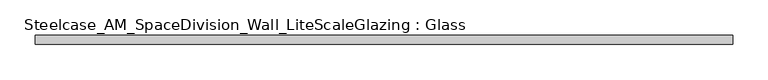
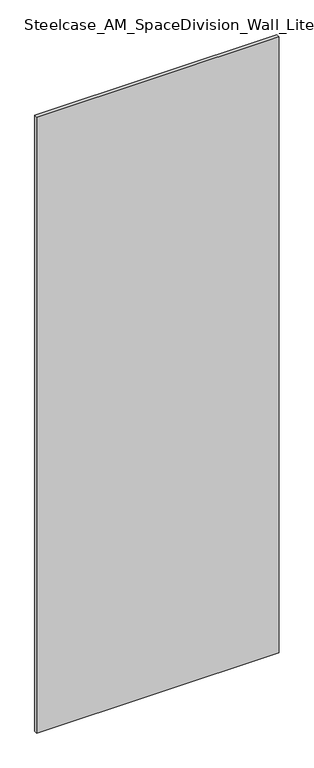
"""IFC4 building model written with IfcOpenShell, lengths in millimetres: plate geometry, Steelcase_AM_SpaceDivision_Wall_LiteScaleGlazing : Glass."""

from ifc_helpers import new_model, si_unit, origin, origin_with_axes, place, context, project, spatial, polyline, outline, extrude, source, transform, mapped, element, save


def steelcase_am_spacedivision_wall_litescaleglazing_glass_94becd8c(model_context):
    return source(origin(), model_context, "Body", "SweptSolid", [
        extrude(outline(polyline([(-496.443, -6.349956), (-496.443, 6.3502015), (496.443, 6.3502015), (496.443, -6.349956), (-496.443, -6.349956)])), origin_with_axes(), (0.0, 0.0, 1.0), 2665.984),
    ])


if __name__ == "__main__":
    model = new_model("IFC4")
    model_context = context("Model", 3, world=origin())
    ifc_project = project(units=[si_unit("LENGTHUNIT", "METRE", prefix="MILLI")], contexts=[model_context])
    site = spatial("IfcSite", under=ifc_project)
    building = spatial("IfcBuilding", under=site)
    placement = place(None, origin())
    steelcase_am_spacedivision_wall_litescaleglazing_glass_shape = steelcase_am_spacedivision_wall_litescaleglazing_glass_94becd8c(model_context)
    element("IfcPlate", 1, ObjectType="Steelcase_AM_SpaceDivision_Wall_LiteScaleGlazing : Glass", at=placement, inside=building, context=model_context, shape_type="MappedRepresentation", body=[
        mapped(steelcase_am_spacedivision_wall_litescaleglazing_glass_shape, transform((0.0, 0.0, 0.0), x_axis=(1.0, 0.0, 0.0), y_axis=(0.0, 1.0, 0.0), z_axis=(0.0, 0.0, 1.0))),
    ])
    save(model, "model.ifc")
